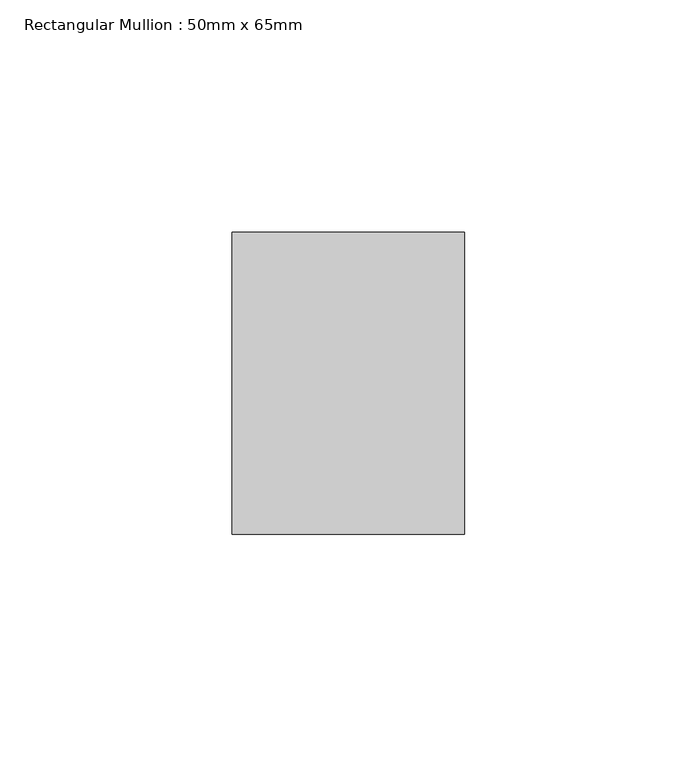
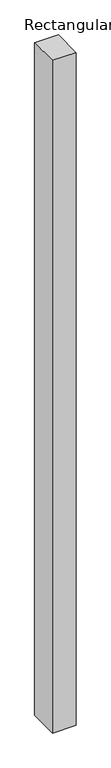
"""IFC4 building model written with IfcOpenShell, lengths in millimetres: member geometry, Rectangular Mullion : 50mm x 65mm."""

from ifc_helpers import new_model, si_unit, origin, place, context, project, spatial, faceted_brep, source, transform, mapped, element, save


def rectangular_mullion_50mm_x_65mm_6938fae2(model_context):
    return source(origin(), model_context, "Body", "Brep", [
        faceted_brep([(-25.0, 32.5, -0.0980892), (25.0, 32.5, -0.0980896), (25.0, 32.5, -1499.8163535), (-25.0, 32.5, -1499.8163543), (-25.0, -32.5, 0.0980896), (-25.0, -32.5, -1500.1834997), (25.0, -32.5, 0.0980892), (25.0, -32.5, -1500.183499)], [[[0, 1, 2, 3]], [[4, 0, 3, 5]], [[6, 4, 5, 7]], [[1, 6, 7, 2]], [[1, 0, 4, 6]], [[2, 7, 5, 3]]]),
    ])


if __name__ == "__main__":
    model = new_model("IFC4")
    model_context = context("Model", 3, world=origin())
    ifc_project = project(units=[si_unit("LENGTHUNIT", "METRE", prefix="MILLI")], contexts=[model_context])
    site = spatial("IfcSite", under=ifc_project)
    building = spatial("IfcBuilding", under=site)
    placement = place(None, origin())
    rectangular_mullion_50mm_x_65mm_shape = rectangular_mullion_50mm_x_65mm_6938fae2(model_context)
    element("IfcMember", 1, ObjectType="Rectangular Mullion : 50mm x 65mm", at=placement, inside=building, context=model_context, shape_type="MappedRepresentation", body=[
        mapped(rectangular_mullion_50mm_x_65mm_shape, transform((0.0, 0.0, 0.0), x_axis=(1.0, 0.0, 0.0), y_axis=(0.0, 1.0, 0.0), z_axis=(0.0, 0.0, 1.0))),
    ])
    save(model, "model.ifc")
